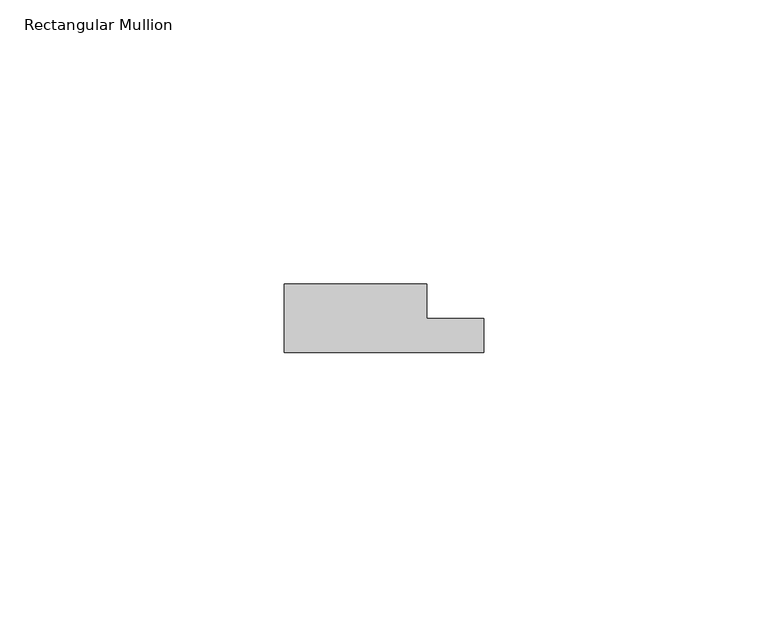
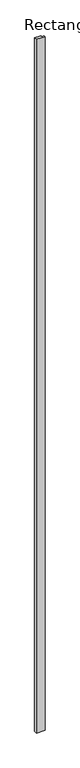
"""IFC4 building model written with IfcOpenShell, lengths in millimetres: member geometry, Rectangular Mullion."""

from ifc_helpers import new_model, si_unit, frame, origin, place, context, project, spatial, polyline, outline, extrude, source, transform, mapped, element, save


def rectangular_mullion_f7d2fce0(model_context):
    return source(origin(), model_context, "Body", "SweptSolid", [
        extrude(outline(polyline([(17.5, 0.0), (-17.5, 0.0), (-17.5, 12.0), (7.5, 12.0), (7.5, 6.0), (17.5, 6.0), (17.5, 0.0)])), frame((0.0, 0.0, -3000.0), z_axis=(0.0, 0.0, 1.0), x_axis=(1.0, 0.0, 0.0)), (0.0, 0.0, 1.0), 3000.0),
    ])


if __name__ == "__main__":
    model = new_model("IFC4")
    model_context = context("Model", 3, world=origin())
    ifc_project = project(units=[si_unit("LENGTHUNIT", "METRE", prefix="MILLI")], contexts=[model_context])
    site = spatial("IfcSite", under=ifc_project)
    building = spatial("IfcBuilding", under=site)
    placement = place(None, origin())
    rectangular_mullion_shape = rectangular_mullion_f7d2fce0(model_context)
    element("IfcMember", 1, ObjectType="Rectangular Mullion", at=placement, inside=building, context=model_context, shape_type="MappedRepresentation", body=[
        mapped(rectangular_mullion_shape, transform((0.0, 0.0, 0.0), x_axis=(1.0, 0.0, 0.0), y_axis=(0.0, 1.0, 0.0), z_axis=(0.0, 0.0, 1.0))),
    ])
    save(model, "model.ifc")
